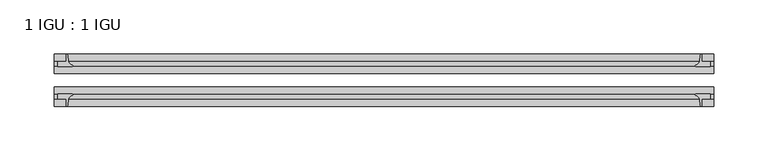
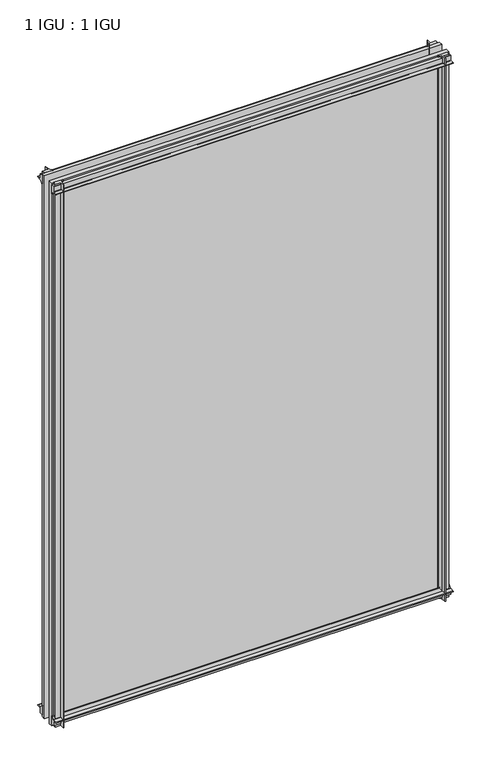
"""IFC4 building model written with IfcOpenShell, lengths in millimetres: plate geometry, 1 IGU : 1 IGU."""

from ifc_helpers import new_model, si_unit, point, frame, frame_2d, origin, place, context, project, spatial, polyline, circle_curve, trimmed, segment, composite_curve, outline, extrude, source, transform, mapped, element, save


def plate_1_igu_1_igu_8253e150(model_context):
    return source(origin(), model_context, "Body", "SweptSolid", [
        extrude(outline(composite_curve([segment(polyline([(-42.3267187, -8.2068385), (-47.0892187, -8.2068385), (-47.0892187, 0.0), (-53.563779, 0.0)]), True, "CONTINUOUS"), segment(trimmed(circle_curve(frame_2d((-53.0328134, 0.3482823)), 0.635), [point((-53.563779, 0.0))], [point((-53.0575397, 0.9828007))], False, "CARTESIAN"), True, "CONTINUOUS"), segment(trimmed(circle_curve(frame_2d((-54.2310045, 31.0958559)), 30.1359106), [point((-53.0575397, 0.9828007))], [point((-47.0834032, 1.8198434))], True, "CARTESIAN"), True, "CONTINUOUS"), segment(trimmed(circle_curve(frame_2d((-48.2159797, 6.4587878)), 4.7752), [point((-47.0834032, 1.8198434))], [point((-43.578416, 5.3205707))], True, "CARTESIAN"), True, "CONTINUOUS"), segment(trimmed(circle_curve(frame_2d((-42.9617187, 5.169212)), 0.635), [point((-43.578416, 5.3205707))], [point((-42.3267187, 5.169212))], False, "CARTESIAN"), True, "CONTINUOUS"), segment(polyline([(-42.3267187, 5.169212), (-42.3267187, -8.2068385)]), True, "CONTINUOUS")], self_intersect=False)), frame((-303.2125, 0.0, 0.0), z_axis=(1.0, 0.0, 0.0), x_axis=(0.0, 1.0, 0.0)), (0.0, 0.0, 1.0), 606.425),
        extrude(outline(composite_curve([segment(polyline([(-16.9267187, -8.2068385), (-16.9267187, 5.169212)]), True, "CONTINUOUS"), segment(trimmed(circle_curve(frame_2d((-16.2917187, 5.169212)), 0.635), [point((-16.9267187, 5.169212))], [point((-15.6750215, 5.3205707))], False, "CARTESIAN"), True, "CONTINUOUS"), segment(trimmed(circle_curve(frame_2d((-11.0374578, 6.4587878)), 4.7752), [point((-15.6750215, 5.3205707))], [point((-12.1700343, 1.8198434))], True, "CARTESIAN"), True, "CONTINUOUS"), segment(trimmed(circle_curve(frame_2d((-5.022433, 31.0958559)), 30.1359106), [point((-12.1700343, 1.8198434))], [point((-6.1958978, 0.9828007))], True, "CARTESIAN"), True, "CONTINUOUS"), segment(trimmed(circle_curve(frame_2d((-6.2206241, 0.3482823)), 0.635), [point((-6.1958978, 0.9828007))], [point((-5.6896585, 0.0))], False, "CARTESIAN"), True, "CONTINUOUS"), segment(polyline([(-5.6896585, 0.0), (-12.1642187, 0.0), (-12.1642187, -8.2068385), (-16.9267187, -8.2068385)]), True, "CONTINUOUS")], self_intersect=False)), frame((-303.2125, 0.0, 0.0), z_axis=(1.0, 0.0, 0.0), x_axis=(0.0, 1.0, 0.0)), (0.0, 0.0, 1.0), 606.425),
        extrude(outline(composite_curve([segment(polyline([(-47.0892188, 854.0748985), (-47.0892188, 862.281737), (-42.3267188, 862.281737), (-42.3267188, 848.9056865)]), True, "CONTINUOUS"), segment(trimmed(circle_curve(frame_2d((-42.9617187, 848.9056865)), 0.635), [point((-42.3267188, 848.9056865))], [point((-43.578416, 848.7543278))], False, "CARTESIAN"), True, "CONTINUOUS"), segment(trimmed(circle_curve(frame_2d((-48.2159797, 847.6161107)), 4.7752), [point((-43.578416, 848.7543278))], [point((-47.0834032, 852.2550551))], True, "CARTESIAN"), True, "CONTINUOUS"), segment(trimmed(circle_curve(frame_2d((-54.2310045, 822.9790426)), 30.1359106), [point((-47.0834032, 852.2550551))], [point((-53.0575397, 853.0920978))], True, "CARTESIAN"), True, "CONTINUOUS"), segment(trimmed(circle_curve(frame_2d((-53.0328134, 853.7266162)), 0.635), [point((-53.0575397, 853.0920978))], [point((-53.563779, 854.0748985))], False, "CARTESIAN"), True, "CONTINUOUS"), segment(polyline([(-53.563779, 854.0748985), (-47.0892188, 854.0748985)]), True, "CONTINUOUS")], self_intersect=False)), frame((-303.2125, 0.0, 0.0), z_axis=(1.0, 0.0, 0.0), x_axis=(0.0, 1.0, 0.0)), (0.0, 0.0, 1.0), 606.425),
        extrude(outline(composite_curve([segment(polyline([(-12.1642187, 854.0748985), (-5.6896585, 854.0748985)]), True, "CONTINUOUS"), segment(trimmed(circle_curve(frame_2d((-6.2206241, 853.7266162)), 0.635), [point((-5.6896585, 854.0748985))], [point((-6.1958978, 853.0920978))], False, "CARTESIAN"), True, "CONTINUOUS"), segment(trimmed(circle_curve(frame_2d((-5.022433, 822.9790426)), 30.1359106), [point((-6.1958978, 853.0920978))], [point((-12.1700343, 852.2550551))], True, "CARTESIAN"), True, "CONTINUOUS"), segment(trimmed(circle_curve(frame_2d((-11.0374578, 847.6161107)), 4.7752), [point((-12.1700343, 852.2550551))], [point((-15.6750215, 848.7543278))], True, "CARTESIAN"), True, "CONTINUOUS"), segment(trimmed(circle_curve(frame_2d((-16.2917188, 848.9056865)), 0.635), [point((-15.6750215, 848.7543278))], [point((-16.9267188, 848.9056865))], False, "CARTESIAN"), True, "CONTINUOUS"), segment(polyline([(-16.9267188, 848.9056865), (-16.9267187, 862.281737), (-12.1642187, 862.281737), (-12.1642187, 854.0748985)]), True, "CONTINUOUS")], self_intersect=False)), frame((-303.2125, 0.0, 0.0), z_axis=(1.0, 0.0, 0.0), x_axis=(0.0, 1.0, 0.0)), (0.0, 0.0, 1.0), 606.425),
        extrude(outline(composite_curve([segment(polyline([(292.1, -5.6896585), (292.1, -12.1642188), (300.3068385, -12.1642188), (300.3068385, -16.9267187), (286.930788, -16.9267187)]), True, "CONTINUOUS"), segment(trimmed(circle_curve(frame_2d((286.930788, -16.2917188)), 0.635), [point((286.930788, -16.9267187))], [point((286.7794293, -15.6750215))], False, "CARTESIAN"), True, "CONTINUOUS"), segment(trimmed(circle_curve(frame_2d((285.6412122, -11.0374578)), 4.7752), [point((286.7794293, -15.6750215))], [point((290.2801566, -12.1700343))], True, "CARTESIAN"), True, "CONTINUOUS"), segment(trimmed(circle_curve(frame_2d((261.0041441, -5.022433)), 30.1359106), [point((290.2801566, -12.1700343))], [point((291.1171993, -6.1958978))], True, "CARTESIAN"), True, "CONTINUOUS"), segment(trimmed(circle_curve(frame_2d((291.7517177, -6.2206241)), 0.635), [point((291.1171993, -6.1958978))], [point((292.1, -5.6896585))], False, "CARTESIAN"), True, "CONTINUOUS")], self_intersect=False)), frame((0.0, 0.0, -11.1125), z_axis=(0.0, 0.0, 1.0), x_axis=(1.0, 0.0, 0.0)), (0.0, 0.0, 1.0), 876.2998985),
        extrude(outline(composite_curve([segment(trimmed(circle_curve(frame_2d((291.7517177, -53.0328134)), 0.635), [point((292.1, -53.563779))], [point((291.1171993, -53.0575397))], False, "CARTESIAN"), True, "CONTINUOUS"), segment(trimmed(circle_curve(frame_2d((261.0041441, -54.2310045)), 30.1359106), [point((291.1171993, -53.0575397))], [point((290.2801566, -47.0834032))], True, "CARTESIAN"), True, "CONTINUOUS"), segment(trimmed(circle_curve(frame_2d((285.6412122, -48.2159797)), 4.7752), [point((290.2801566, -47.0834032))], [point((286.7794293, -43.578416))], True, "CARTESIAN"), True, "CONTINUOUS"), segment(trimmed(circle_curve(frame_2d((286.930788, -42.9617187)), 0.635), [point((286.7794293, -43.578416))], [point((286.930788, -42.3267187))], False, "CARTESIAN"), True, "CONTINUOUS"), segment(polyline([(286.930788, -42.3267187), (300.3068385, -42.3267188), (300.3068385, -47.0892188), (292.1, -47.0892188), (292.1, -53.563779)]), True, "CONTINUOUS")], self_intersect=False)), frame((0.0, 0.0, -11.1125), z_axis=(0.0, 0.0, 1.0), x_axis=(1.0, 0.0, 0.0)), (0.0, 0.0, 1.0), 876.2998985),
        extrude(outline(composite_curve([segment(trimmed(circle_curve(frame_2d((-291.7517177, -6.2206241)), 0.635), [point((-292.1, -5.6896585))], [point((-291.1171993, -6.1958978))], False, "CARTESIAN"), True, "CONTINUOUS"), segment(trimmed(circle_curve(frame_2d((-261.0041441, -5.022433)), 30.1359106), [point((-291.1171993, -6.1958978))], [point((-290.2801566, -12.1700343))], True, "CARTESIAN"), True, "CONTINUOUS"), segment(trimmed(circle_curve(frame_2d((-285.6412122, -11.0374578)), 4.7752), [point((-290.2801566, -12.1700343))], [point((-286.7794293, -15.6750215))], True, "CARTESIAN"), True, "CONTINUOUS"), segment(trimmed(circle_curve(frame_2d((-286.930788, -16.2917187)), 0.635), [point((-286.7794293, -15.6750215))], [point((-286.930788, -16.9267187))], False, "CARTESIAN"), True, "CONTINUOUS"), segment(polyline([(-286.930788, -16.9267187), (-300.3068385, -16.9267187), (-300.3068385, -12.1642187), (-292.1, -12.1642187), (-292.1, -5.6896585)]), True, "CONTINUOUS")], self_intersect=False)), frame((0.0, 0.0, -11.1125), z_axis=(0.0, 0.0, 1.0), x_axis=(1.0, 0.0, 0.0)), (0.0, 0.0, 1.0), 876.2998985),
        extrude(outline(composite_curve([segment(polyline([(-292.1, -53.563779), (-292.1, -47.0892187), (-300.3068385, -47.0892187), (-300.3068385, -42.3267188), (-286.930788, -42.3267188)]), True, "CONTINUOUS"), segment(trimmed(circle_curve(frame_2d((-286.930788, -42.9617187)), 0.635), [point((-286.930788, -42.3267188))], [point((-286.7794293, -43.578416))], False, "CARTESIAN"), True, "CONTINUOUS"), segment(trimmed(circle_curve(frame_2d((-285.6412122, -48.2159797)), 4.7752), [point((-286.7794293, -43.578416))], [point((-290.2801566, -47.0834032))], True, "CARTESIAN"), True, "CONTINUOUS"), segment(trimmed(circle_curve(frame_2d((-261.0041441, -54.2310045)), 30.1359106), [point((-290.2801566, -47.0834032))], [point((-291.1171993, -53.0575397))], True, "CARTESIAN"), True, "CONTINUOUS"), segment(trimmed(circle_curve(frame_2d((-291.7517177, -53.0328134)), 0.635), [point((-291.1171993, -53.0575397))], [point((-292.1, -53.563779))], False, "CARTESIAN"), True, "CONTINUOUS")], self_intersect=False)), frame((0.0, 0.0, -11.1125), z_axis=(0.0, 0.0, 1.0), x_axis=(1.0, 0.0, 0.0)), (0.0, 0.0, 1.0), 876.2998985),
        extrude(outline(polyline([(303.2125, -16.9267187), (303.2125, -23.2259187), (-303.2125, -23.2259187), (-303.2125, -16.9267187), (303.2125, -16.9267187)])), frame((0.0, 0.0, -11.1125), z_axis=(0.0, 0.0, 1.0), x_axis=(1.0, 0.0, 0.0)), (0.0, 0.0, 1.0), 876.2998985),
        extrude(outline(polyline([(303.2125, -36.0275187), (303.2125, -42.3267187), (-303.2125, -42.3267187), (-303.2125, -36.0275187), (303.2125, -36.0275187)])), frame((0.0, 0.0, -11.1125), z_axis=(0.0, 0.0, 1.0), x_axis=(1.0, 0.0, 0.0)), (0.0, 0.0, 1.0), 876.2998985),
    ])


if __name__ == "__main__":
    model = new_model("IFC4")
    model_context = context("Model", 3, world=origin())
    ifc_project = project(units=[si_unit("LENGTHUNIT", "METRE", prefix="MILLI")], contexts=[model_context])
    site = spatial("IfcSite", under=ifc_project)
    building = spatial("IfcBuilding", under=site)
    placement = place(None, origin())
    plate_1_igu_1_igu_shape = plate_1_igu_1_igu_8253e150(model_context)
    element("IfcPlate", 1, ObjectType="1 IGU : 1 IGU", at=placement, inside=building, context=model_context, shape_type="MappedRepresentation", body=[
        mapped(plate_1_igu_1_igu_shape, transform((0.0, 0.0, 0.0), x_axis=(1.0, 0.0, 0.0), y_axis=(0.0, 1.0, 0.0), z_axis=(0.0, 0.0, 1.0))),
    ])
    save(model, "model.ifc")
